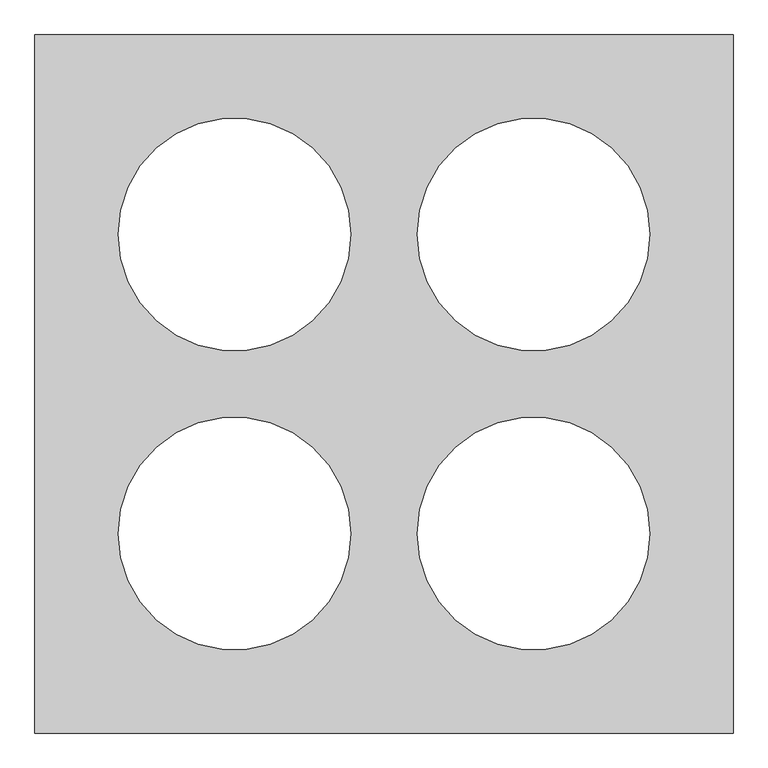
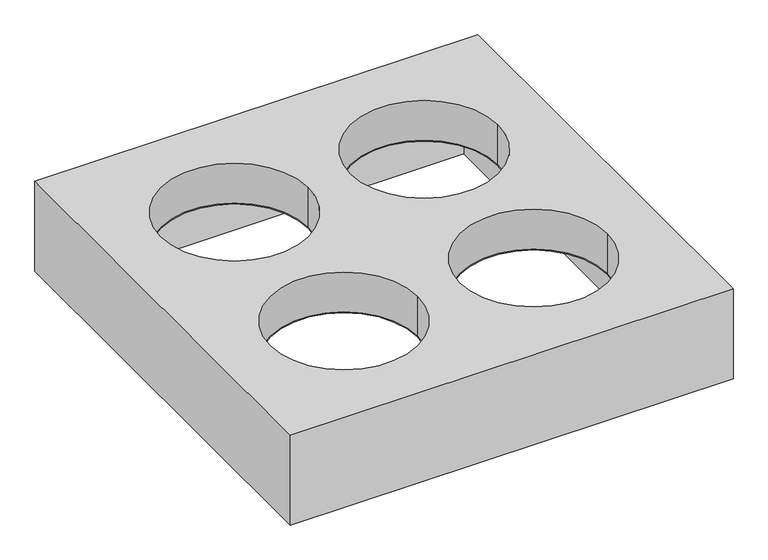
"""IFC4 building model written with IfcOpenShell, lengths in millimetres: proxy geometry."""

import ifcopenshell
import ifcopenshell.guid

model = None  # the IFC model being written
_history = None  # IfcOwnerHistory: only IFC2X3 demands one
_inside = {}  # id of a spatial element -> (the spatial element, [elements in it])
_under = {}  # id of a project, library or spatial element -> (it, [spatial elements below it])
_declared = {}  # id of a project -> (the project, [libraries it declares])
_typed = {}  # id of a type object -> (the type object, [elements of that type])
_made_of = {}  # id of a material, layer set ... -> (it, [elements and type objects made of it])


def new_model(schema):
    """Start an empty IFC model of exactly this schema.

    Asked for "IFC4X3", IfcOpenShell would pick the latest addendum, in which some entities
    have other attributes; the version numbers below select the first issue.
    IFC2X3 requires an IfcOwnerHistory on every rooted entity: one is made here for all.
    """
    global model, _history
    if schema == "IFC4X3":
        model = ifcopenshell.file(schema_version=(4, 3, 0, 0))
    else:
        model = ifcopenshell.file(schema=schema)
    _inside.clear()
    _under.clear()
    _declared.clear()
    _typed.clear()
    _made_of.clear()
    _history = None
    if model.schema == "IFC2X3":
        org = make("IfcOrganization", Name="unknown")
        user = make(
            "IfcPersonAndOrganization",
            ThePerson=make("IfcPerson", FamilyName="unknown"),
            TheOrganization=org,
        )
        app = make(
            "IfcApplication",
            ApplicationDeveloper=org,
            Version="unknown",
            ApplicationFullName="unknown",
            ApplicationIdentifier="unknown",
        )
        _history = make(
            "IfcOwnerHistory",
            OwningUser=user,
            OwningApplication=app,
            ChangeAction="ADDED",
            CreationDate=0,
        )
    return model


def make(cls, **values):
    """One entity of the class cls with the attributes given. An attribute that is None is left unset."""
    return model.create_entity(
        cls, **{name: value for name, value in values.items() if value is not None}
    )


def rooted(cls, **values):
    """An entity with a GlobalId (a new one), such as an element, a storey or a relation."""
    return make(cls, GlobalId=ifcopenshell.guid.new(), OwnerHistory=_history, **values)


def si_unit(unit_type, name, prefix=None):
    """IfcSIUnit, for example si_unit("LENGTHUNIT", "METRE", prefix="MILLI")."""
    return make("IfcSIUnit", UnitType=unit_type, Prefix=prefix, Name=name)


def assignment(units):
    """IfcUnitAssignment: the units of a project."""
    return None if units is None else make("IfcUnitAssignment", Units=units)


def point(xyz):
    """IfcCartesianPoint."""
    return None if xyz is None else make("IfcCartesianPoint", Coordinates=xyz)


def direction(xyz):
    """IfcDirection."""
    return None if xyz is None else make("IfcDirection", DirectionRatios=xyz)


def frame(location, z_axis=None, x_axis=None):
    """IfcAxis2Placement3D, a coordinate frame: its origin and axes. An axis left out is left unset."""
    return make(
        "IfcAxis2Placement3D",
        Location=point(location),
        Axis=direction(z_axis),
        RefDirection=direction(x_axis),
    )


def origin():
    """The frame at (0, 0, 0) with its axes left unset."""
    return frame((0.0, 0.0, 0.0))


def place(relative_to, where):
    """IfcLocalPlacement: puts the frame where relative to a parent placement (None: the world)."""
    return make(
        "IfcLocalPlacement", PlacementRelTo=relative_to, RelativePlacement=where
    )


def context(
    kind, dimensions, precision=None, world=None, true_north=None, identifier=None
):
    """IfcGeometricRepresentationContext, for example the 3D "Model" context."""
    return make(
        "IfcGeometricRepresentationContext",
        ContextIdentifier=identifier,
        ContextType=kind,
        CoordinateSpaceDimension=dimensions,
        Precision=precision,
        WorldCoordinateSystem=world,
        TrueNorth=true_north,
    )


def project(units=None, contexts=None):
    """IfcProject with its units and contexts."""
    return rooted(
        "IfcProject",
        Name="project",
        RepresentationContexts=contexts,
        UnitsInContext=assignment(units),
    )


def spatial(cls, under=None, at=None, **own):
    """A site, building, storey or space (cls), placed at a placement, below another one or the project."""
    s = rooted(cls, ObjectPlacement=at, **own)
    if under is not None:
        _under.setdefault(under.id(), (under, []))[1].append(s)
    return s


def polyline(points):
    """IfcPolyline through the points."""
    return make("IfcPolyline", Points=[point(p) for p in points])


def circle_curve(where, radius):
    """IfcCircle in the frame where."""
    return make("IfcCircle", Position=where, Radius=radius)


def shape(context_of_items, identifier, shape_type, items):
    """IfcShapeRepresentation: the items that make up one representation, for example the "Body"."""
    return make(
        "IfcShapeRepresentation",
        ContextOfItems=context_of_items,
        RepresentationIdentifier=identifier,
        RepresentationType=shape_type,
        Items=items,
    )


def source(mapping_origin, context_of_items, identifier, shape_type, items):
    """IfcRepresentationMap: a shape defined once, which mapped items show again and again."""
    return make(
        "IfcRepresentationMap",
        MappingOrigin=mapping_origin,
        MappedRepresentation=shape(context_of_items, identifier, shape_type, items),
    )


def transform(
    local_origin,
    x_axis=None,
    y_axis=None,
    z_axis=None,
    scale=None,
    scale2=None,
    scale3=None,
    uniform=True,
):
    """IfcCartesianTransformationOperator3D, or its non-uniform kind. x_axis, y_axis, z_axis: its Axis1, 2, 3."""
    if uniform:
        return make(
            "IfcCartesianTransformationOperator3D",
            Axis1=direction(x_axis),
            Axis2=direction(y_axis),
            LocalOrigin=point(local_origin),
            Scale=scale,
            Axis3=direction(z_axis),
        )
    return make(
        "IfcCartesianTransformationOperator3DnonUniform",
        Axis1=direction(x_axis),
        Axis2=direction(y_axis),
        LocalOrigin=point(local_origin),
        Scale=scale,
        Axis3=direction(z_axis),
        Scale2=scale2,
        Scale3=scale3,
    )


def mapped(mapping_source, mapping_target):
    """IfcMappedItem: shows the shape of a source again, moved by a transform."""
    return make(
        "IfcMappedItem", MappingSource=mapping_source, MappingTarget=mapping_target
    )


def made_of(thing, what):
    """Note that an element or type object is made of a material, layer set ...; save() writes the relation."""
    if what is not None:
        _made_of.setdefault(what.id(), (what, []))[1].append(thing)
    return thing


def element(
    cls,
    number,
    at=None,
    inside=None,
    cuts=None,
    type_object=None,
    material=None,
    context=None,
    identifier="Body",
    shape_type=None,
    held_by="IfcProductDefinitionShape",
    body=None,
    shapes=None,
    **own,
):
    """One element of the class cls, such as IfcWall. Its Tag is "e" and its number.

    at: its placement. inside: the storey or other place that contains it. cuts: it is an
    opening in that element (IfcRelVoidsElement). A single representation is given by context,
    identifier, shape_type and body (its items); several are given by shapes. held_by: the class
    of the entity that holds the representations. save() writes the other relations.
    """
    e = rooted(cls, Tag="e%d" % number, ObjectPlacement=at, **own)
    if body is not None:
        shapes = [shape(context, identifier, shape_type, body)]
    if shapes is not None:
        e.Representation = make(held_by, Representations=shapes)
    if inside is not None:
        _inside.setdefault(inside.id(), (inside, []))[1].append(e)
    if cuts is not None:
        rooted(
            "IfcRelVoidsElement", RelatingBuildingElement=cuts, RelatedOpeningElement=e
        )
    if type_object is not None:
        _typed.setdefault(type_object.id(), (type_object, []))[1].append(e)
    return made_of(e, material)


def aggregate(whole, parts):
    """IfcRelAggregates: a whole, such as a stair, and the parts it consists of."""
    return rooted("IfcRelAggregates", RelatingObject=whole, RelatedObjects=parts)


def save(model, path):
    """Write the relations noted so far, then the file.

    IfcRelAggregates (storeys below a building ...), IfcRelContainedInSpatialStructure (elements
    in a storey), IfcRelDefinesByType, IfcRelAssociatesMaterial and IfcRelDeclares: one each for
    every whole, place, type object, material and project.
    """
    for whole, parts in _under.values():
        aggregate(whole, parts)
    for where, things in _inside.values():
        rooted(
            "IfcRelContainedInSpatialStructure",
            RelatedElements=things,
            RelatingStructure=where,
        )
    for kind, things in _typed.values():
        rooted("IfcRelDefinesByType", RelatedObjects=things, RelatingType=kind)
    for what, things in _made_of.values():
        rooted("IfcRelAssociatesMaterial", RelatedObjects=things, RelatingMaterial=what)
    for by, libraries in _declared.values():
        rooted("IfcRelDeclares", RelatingContext=by, RelatedDefinitions=libraries)
    model.write(path)


def plane_surface(at):
    """IfcPlane: the flat surface through the origin of the frame at, square to its z axis."""
    return make("IfcPlane", Position=at)


def revolved_surface(curve, axis_point, axis_direction):
    """IfcSurfaceOfRevolution: the curve turned about the line through axis_point along axis_direction."""
    return make(
        "IfcSurfaceOfRevolution",
        SweptCurve=make("IfcArbitraryOpenProfileDef", ProfileType="CURVE", Curve=curve),
        AxisPosition=make("IfcAxis1Placement", Location=point(axis_point), Axis=direction(axis_direction)),
    )


def advanced_brep(points, edges, surfaces, faces):
    """IfcAdvancedBrep: a solid bounded by faces that lie on surfaces and meet in shared edges.

    An edge is (start, end): straight between two places in points (the first is 0);
    or (start, end, curve); or (start, end, curve, False) where it runs against its curve.
    A face is (place in surfaces, loops), or (place, loops, False) where it looks against
    its surface's normal. A loop lists edges by number (the first is 1), with a minus sign
    where the edge is run from its end to its start. The first loop is the outer one.
    """
    corners = [point(p) for p in points]
    vertices = [make("IfcVertexPoint", VertexGeometry=c) for c in corners]
    made = []
    for start, end, *more in edges:
        made.append(
            make(
                "IfcEdgeCurve",
                EdgeStart=vertices[start],
                EdgeEnd=vertices[end],
                EdgeGeometry=more[0] if more else make("IfcPolyline", Points=[corners[start], corners[end]]),
                SameSense=more[1] if len(more) > 1 else True,
            )
        )
    hull = []
    for where, loops, *sense in faces:
        bounds = []
        for j, loop in enumerate(loops):
            ring = [make("IfcOrientedEdge", EdgeElement=made[abs(k) - 1], Orientation=k > 0) for k in loop]
            bounds.append(
                make(
                    "IfcFaceOuterBound" if j == 0 else "IfcFaceBound",
                    Bound=make("IfcEdgeLoop", EdgeList=ring),
                    Orientation=True,
                )
            )
        hull.append(make("IfcAdvancedFace", Bounds=bounds, FaceSurface=surfaces[where], SameSense=sense[0] if sense else True))
    return make("IfcAdvancedBrep", Outer=make("IfcClosedShell", CfsFaces=hull))


def generic_models_443f9432(model_context):
    return source(origin(), model_context, "Body", "AdvancedBrep", [
        advanced_brep(
        [(900.0, 900.0, 250.0), (-900.0, 900.0, 250.0), (-900.0, -900.0, 250.0), (900.0, -900.0, 250.0), (-100.0, 450.0, 250.0), (-800.0, 450.0, 250.0), (800.0, 450.0, 250.0), (100.0, 450.0, 250.0), (800.0, -450.0, 250.0), (100.0, -450.0, 250.0), (-100.0, -450.0, 250.0), (-800.0, -450.0, 250.0), (896.0, 896.0, 246.0), (896.0, -896.0, 246.0), (-896.0, -896.0, 246.0), (-896.0, 896.0, 246.0), (-800.0, 450.0, 246.0), (-100.0, 450.0, 246.0), (100.0, 450.0, 246.0), (800.0, 450.0, 246.0), (100.0, -450.0, 246.0), (800.0, -450.0, 246.0), (-800.0, -450.0, 246.0), (-100.0, -450.0, 246.0), (900.0, 900.0, 0.0), (-900.0, 900.0, 0.0), (-900.0, -900.0, 0.0), (900.0, -900.0, 0.0), (896.0, 896.0, 0.0), (-896.0, 896.0, 0.0), (-896.0, -896.0, 0.0), (896.0, -896.0, 0.0)],
        [
            (0, 1),
            (1, 2),
            (2, 3),
            (3, 0),
            (4, 5, circle_curve(frame((-450.0, 450.0, 250.0), z_axis=(0.0, 0.0, -1.0), x_axis=(1.0, 0.0, 0.0)), 350.0)),
            (5, 4, circle_curve(frame((-450.0, 450.0, 250.0), z_axis=(0.0, 0.0, -1.0), x_axis=(1.0, 0.0, 0.0)), 350.0)),
            (6, 7, circle_curve(frame((450.0, 450.0, 250.0), z_axis=(0.0, 0.0, -1.0), x_axis=(1.0, 0.0, 0.0)), 350.0)),
            (7, 6, circle_curve(frame((450.0, 450.0, 250.0), z_axis=(0.0, 0.0, -1.0), x_axis=(1.0, 0.0, 0.0)), 350.0)),
            (8, 9, circle_curve(frame((450.0, -450.0, 250.0), z_axis=(0.0, 0.0, -1.0), x_axis=(1.0, 0.0, 0.0)), 350.0)),
            (9, 8, circle_curve(frame((450.0, -450.0, 250.0), z_axis=(0.0, 0.0, -1.0), x_axis=(1.0, 0.0, 0.0)), 350.0)),
            (10, 11, circle_curve(frame((-450.0, -450.0, 250.0), z_axis=(0.0, 0.0, -1.0), x_axis=(1.0, 0.0, 0.0)), 350.0)),
            (11, 10, circle_curve(frame((-450.0, -450.0, 250.0), z_axis=(0.0, 0.0, -1.0), x_axis=(1.0, 0.0, 0.0)), 350.0)),
            (12, 13),
            (13, 14),
            (14, 15),
            (15, 12),
            (16, 17, circle_curve(frame((-450.0, 450.0, 246.0), z_axis=(0.0, 0.0, 1.0), x_axis=(1.0, 0.0, 0.0)), 350.0)),
            (17, 16, circle_curve(frame((-450.0, 450.0, 246.0), z_axis=(0.0, 0.0, 1.0), x_axis=(1.0, 0.0, 0.0)), 350.0)),
            (18, 19, circle_curve(frame((450.0, 450.0, 246.0), z_axis=(0.0, 0.0, 1.0), x_axis=(1.0, 0.0, 0.0)), 350.0)),
            (19, 18, circle_curve(frame((450.0, 450.0, 246.0), z_axis=(0.0, 0.0, 1.0), x_axis=(1.0, 0.0, 0.0)), 350.0)),
            (20, 21, circle_curve(frame((450.0, -450.0, 246.0), z_axis=(0.0, 0.0, 1.0), x_axis=(1.0, 0.0, 0.0)), 350.0)),
            (21, 20, circle_curve(frame((450.0, -450.0, 246.0), z_axis=(0.0, 0.0, 1.0), x_axis=(1.0, 0.0, 0.0)), 350.0)),
            (22, 23, circle_curve(frame((-450.0, -450.0, 246.0), z_axis=(0.0, 0.0, 1.0), x_axis=(1.0, 0.0, 0.0)), 350.0)),
            (23, 22, circle_curve(frame((-450.0, -450.0, 246.0), z_axis=(0.0, 0.0, 1.0), x_axis=(1.0, 0.0, 0.0)), 350.0)),
            (0, 24),
            (24, 25),
            (25, 1),
            (25, 26),
            (26, 2),
            (26, 27),
            (27, 3),
            (27, 24),
            (28, 29),
            (29, 30),
            (30, 31),
            (31, 28),
            (31, 13),
            (12, 28),
            (30, 14),
            (29, 15),
            (16, 5),
            (4, 17),
            (18, 7),
            (6, 19),
            (20, 9),
            (8, 21),
            (22, 11),
            (10, 23),
        ],
        [
            plane_surface(frame((-900.0, 900.0, 250.0), z_axis=(0.0, 0.0, 1.0), x_axis=(-1.0, 0.0, 0.0))),
            plane_surface(frame((-900.0, 900.0, 246.0), z_axis=(0.0, 0.0, -1.0), x_axis=(1.0, 0.0, 0.0))),
            plane_surface(frame((900.0, 900.0, 250.0), z_axis=(0.0, 1.0, 0.0), x_axis=(0.0, 0.0, -1.0))),
            plane_surface(frame((-900.0, 900.0, 250.0), z_axis=(-1.0, 0.0, 0.0), x_axis=(0.0, 0.0, -1.0))),
            plane_surface(frame((-900.0, -900.0, 250.0), z_axis=(0.0, -1.0, 0.0), x_axis=(0.0, 0.0, -1.0))),
            plane_surface(frame((900.0, -900.0, 250.0), z_axis=(1.0, 0.0, 0.0), x_axis=(0.0, 0.0, -1.0))),
            plane_surface(frame((896.0, 896.0, 0.0), z_axis=(0.0, 0.0, -1.0), x_axis=(0.0, 1.0, 0.0))),
            plane_surface(frame((896.0, 896.0, 250.0), z_axis=(-1.0, 0.0, 0.0), x_axis=(0.0, 0.0, -1.0))),
            plane_surface(frame((896.0, -896.0, 250.0), z_axis=(0.0, 1.0, 0.0), x_axis=(0.0, 0.0, -1.0))),
            plane_surface(frame((-896.0, -896.0, 250.0), z_axis=(1.0, 0.0, 0.0), x_axis=(0.0, 0.0, -1.0))),
            plane_surface(frame((-896.0, 896.0, 250.0), z_axis=(0.0, -1.0, 0.0), x_axis=(0.0, 0.0, -1.0))),
            revolved_surface(polyline([(-100.0, 450.0, 250.0), (-100.0, 450.0, 246.0)]), (-450.0, 450.0, 246.0), (0.0, 0.0, 1.0)),
            revolved_surface(polyline([(800.0, 450.0, 250.0), (800.0, 450.0, 246.0)]), (450.0, 450.0, 0.0), (0.0, 0.0, 1.0)),
            revolved_surface(polyline([(800.0, -450.0, 250.0), (800.0, -450.0, 246.0)]), (450.0, -450.0, 0.0), (0.0, 0.0, 1.0)),
            revolved_surface(polyline([(-100.0, -450.0, 250.0), (-100.0, -450.0, 246.0)]), (-450.0, -450.0, 0.0), (0.0, 0.0, 1.0)),
        ],
        [
            (0, [[1, 2, 3, 4], [5, 6], [7, 8], [9, 10], [11, 12]]),
            (1, [[13, 14, 15, 16], [17, 18], [19, 20], [21, 22], [23, 24]]),
            (2, [[-1, 25, 26, 27]]),
            (3, [[-2, -27, 28, 29]]),
            (4, [[-3, -29, 30, 31]]),
            (5, [[-4, -31, 32, -25]]),
            (6, [[-32, -30, -28, -26], [33, 34, 35, 36]]),
            (7, [[-36, 37, -13, 38]]),
            (8, [[-35, 39, -14, -37]]),
            (9, [[-34, 40, -15, -39]]),
            (10, [[-33, -38, -16, -40]]),
            (11, [[41, -5, 42, -17]]),
            (11, [[-41, -18, -42, -6]]),
            (12, [[43, -7, 44, -19]]),
            (12, [[-43, -20, -44, -8]]),
            (13, [[45, -9, 46, -21]]),
            (13, [[-45, -22, -46, -10]]),
            (14, [[47, -11, 48, -23]]),
            (14, [[-47, -24, -48, -12]]),
        ],
    ),
        advanced_brep(
        [(1050.0, 1050.0, 450.0), (-1050.0, 1050.0, 450.0), (-1050.0, -1050.0, 450.0), (1050.0, -1050.0, 450.0), (-100.0, 450.0, 450.0), (-800.0, 450.0, 450.0), (800.0, 450.0, 450.0), (100.0, 450.0, 450.0), (800.0, -450.0, 450.0), (100.0, -450.0, 450.0), (-100.0, -450.0, 450.0), (-800.0, -450.0, 450.0), (1050.0, 1050.0, 0.0), (1050.0, -1050.0, 0.0), (-1050.0, -1050.0, 0.0), (-1050.0, 1050.0, 0.0), (900.0, 900.0, 0.0), (-900.0, 900.0, 0.0), (-900.0, -900.0, 0.0), (900.0, -900.0, 0.0), (900.0, 900.0, 250.0), (900.0, -900.0, 250.0), (-900.0, -900.0, 250.0), (-900.0, 900.0, 250.0), (-800.0, 450.0, 250.0), (-100.0, 450.0, 250.0), (100.0, 450.0, 250.0), (800.0, 450.0, 250.0), (100.0, -450.0, 250.0), (800.0, -450.0, 250.0), (-800.0, -450.0, 250.0), (-100.0, -450.0, 250.0)],
        [
            (0, 1),
            (1, 2),
            (2, 3),
            (3, 0),
            (4, 5, circle_curve(frame((-450.0, 450.0, 450.0), z_axis=(0.0, 0.0, -1.0), x_axis=(1.0, 0.0, 0.0)), 350.0)),
            (5, 4, circle_curve(frame((-450.0, 450.0, 450.0), z_axis=(0.0, 0.0, -1.0), x_axis=(1.0, 0.0, 0.0)), 350.0)),
            (6, 7, circle_curve(frame((450.0, 450.0, 450.0), z_axis=(0.0, 0.0, -1.0), x_axis=(1.0, 0.0, 0.0)), 350.0)),
            (7, 6, circle_curve(frame((450.0, 450.0, 450.0), z_axis=(0.0, 0.0, -1.0), x_axis=(1.0, 0.0, 0.0)), 350.0)),
            (8, 9, circle_curve(frame((450.0, -450.0, 450.0), z_axis=(0.0, 0.0, -1.0), x_axis=(1.0, 0.0, 0.0)), 350.0)),
            (9, 8, circle_curve(frame((450.0, -450.0, 450.0), z_axis=(0.0, 0.0, -1.0), x_axis=(1.0, 0.0, 0.0)), 350.0)),
            (10, 11, circle_curve(frame((-450.0, -450.0, 450.0), z_axis=(0.0, 0.0, -1.0), x_axis=(1.0, 0.0, 0.0)), 350.0)),
            (11, 10, circle_curve(frame((-450.0, -450.0, 450.0), z_axis=(0.0, 0.0, -1.0), x_axis=(1.0, 0.0, 0.0)), 350.0)),
            (12, 13),
            (13, 14),
            (14, 15),
            (15, 12),
            (16, 17),
            (17, 18),
            (18, 19),
            (19, 16),
            (0, 12),
            (15, 1),
            (14, 2),
            (13, 3),
            (20, 21),
            (21, 22),
            (22, 23),
            (23, 20),
            (24, 25, circle_curve(frame((-450.0, 450.0, 250.0), z_axis=(0.0, 0.0, 1.0), x_axis=(1.0, 0.0, 0.0)), 350.0)),
            (25, 24, circle_curve(frame((-450.0, 450.0, 250.0), z_axis=(0.0, 0.0, 1.0), x_axis=(1.0, 0.0, 0.0)), 350.0)),
            (26, 27, circle_curve(frame((450.0, 450.0, 250.0), z_axis=(0.0, 0.0, 1.0), x_axis=(1.0, 0.0, 0.0)), 350.0)),
            (27, 26, circle_curve(frame((450.0, 450.0, 250.0), z_axis=(0.0, 0.0, 1.0), x_axis=(1.0, 0.0, 0.0)), 350.0)),
            (28, 29, circle_curve(frame((450.0, -450.0, 250.0), z_axis=(0.0, 0.0, 1.0), x_axis=(1.0, 0.0, 0.0)), 350.0)),
            (29, 28, circle_curve(frame((450.0, -450.0, 250.0), z_axis=(0.0, 0.0, 1.0), x_axis=(1.0, 0.0, 0.0)), 350.0)),
            (30, 31, circle_curve(frame((-450.0, -450.0, 250.0), z_axis=(0.0, 0.0, 1.0), x_axis=(1.0, 0.0, 0.0)), 350.0)),
            (31, 30, circle_curve(frame((-450.0, -450.0, 250.0), z_axis=(0.0, 0.0, 1.0), x_axis=(1.0, 0.0, 0.0)), 350.0)),
            (23, 17),
            (16, 20),
            (22, 18),
            (21, 19),
            (24, 5),
            (4, 25),
            (26, 7),
            (6, 27),
            (28, 9),
            (8, 29),
            (30, 11),
            (10, 31),
        ],
        [
            plane_surface(frame((-1050.0, 1050.0, 450.0), z_axis=(0.0, 0.0, 1.0), x_axis=(-1.0, 0.0, 0.0))),
            plane_surface(frame((-1050.0, 1050.0, 0.0), z_axis=(0.0, 0.0, -1.0), x_axis=(1.0, 0.0, 0.0))),
            plane_surface(frame((1050.0, 1050.0, 450.0), z_axis=(0.0, 1.0, 0.0), x_axis=(0.0, 0.0, -1.0))),
            plane_surface(frame((-1050.0, 1050.0, 450.0), z_axis=(-1.0, 0.0, 0.0), x_axis=(0.0, 0.0, -1.0))),
            plane_surface(frame((-1050.0, -1050.0, 450.0), z_axis=(0.0, -1.0, 0.0), x_axis=(0.0, 0.0, -1.0))),
            plane_surface(frame((1050.0, -1050.0, 450.0), z_axis=(1.0, 0.0, 0.0), x_axis=(0.0, 0.0, -1.0))),
            plane_surface(frame((-900.0, 900.0, 250.0), z_axis=(0.0, 0.0, -1.0), x_axis=(-1.0, 0.0, 0.0))),
            plane_surface(frame((900.0, 900.0, 250.0), z_axis=(0.0, -1.0, 0.0), x_axis=(0.0, 0.0, -1.0))),
            plane_surface(frame((-900.0, 900.0, 250.0), z_axis=(1.0, 0.0, 0.0), x_axis=(0.0, 0.0, -1.0))),
            plane_surface(frame((-900.0, -900.0, 250.0), z_axis=(0.0, 1.0, 0.0), x_axis=(0.0, 0.0, -1.0))),
            plane_surface(frame((900.0, -900.0, 250.0), z_axis=(-1.0, 0.0, 0.0), x_axis=(0.0, 0.0, -1.0))),
            revolved_surface(polyline([(-100.0, 450.0, 450.0), (-100.0, 450.0, 250.0)]), (-450.0, 450.0, 246.0), (0.0, 0.0, 1.0)),
            revolved_surface(polyline([(800.0, 450.0, 450.0), (800.0, 450.0, 250.0)]), (450.0, 450.0, 0.0), (0.0, 0.0, 1.0)),
            revolved_surface(polyline([(800.0, -450.0, 450.0), (800.0, -450.0, 250.0)]), (450.0, -450.0, 0.0), (0.0, 0.0, 1.0)),
            revolved_surface(polyline([(-100.0, -450.0, 450.0), (-100.0, -450.0, 250.0)]), (-450.0, -450.0, 0.0), (0.0, 0.0, 1.0)),
        ],
        [
            (0, [[1, 2, 3, 4], [5, 6], [7, 8], [9, 10], [11, 12]]),
            (1, [[13, 14, 15, 16], [17, 18, 19, 20]]),
            (2, [[-1, 21, -16, 22]]),
            (3, [[-2, -22, -15, 23]]),
            (4, [[-3, -23, -14, 24]]),
            (5, [[-4, -24, -13, -21]]),
            (6, [[25, 26, 27, 28], [29, 30], [31, 32], [33, 34], [35, 36]]),
            (7, [[-28, 37, -17, 38]]),
            (8, [[-27, 39, -18, -37]]),
            (9, [[-26, 40, -19, -39]]),
            (10, [[-25, -38, -20, -40]]),
            (11, [[41, -5, 42, -29]]),
            (11, [[-41, -30, -42, -6]]),
            (12, [[43, -7, 44, -31]]),
            (12, [[-43, -32, -44, -8]]),
            (13, [[45, -9, 46, -33]]),
            (13, [[-45, -34, -46, -10]]),
            (14, [[47, -11, 48, -35]]),
            (14, [[-47, -36, -48, -12]]),
        ],
    ),
    ])


if __name__ == "__main__":
    model = new_model("IFC4")
    model_context = context("Model", 3, world=origin())
    ifc_project = project(units=[si_unit("LENGTHUNIT", "METRE", prefix="MILLI")], contexts=[model_context])
    site = spatial("IfcSite", under=ifc_project)
    building = spatial("IfcBuilding", under=site)
    placement = place(None, origin())
    generic_models_shape = generic_models_443f9432(model_context)
    element("IfcBuildingElementProxy", 1, Name="Generic Models", at=placement, inside=building, context=model_context, shape_type="MappedRepresentation", body=[
        mapped(generic_models_shape, transform((0.0, 0.0, 0.0), x_axis=(1.0, 0.0, 0.0), y_axis=(0.0, 1.0, 0.0), z_axis=(0.0, 0.0, 1.0))),
    ])
    save(model, "model.ifc")
